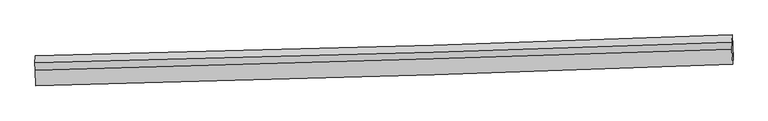
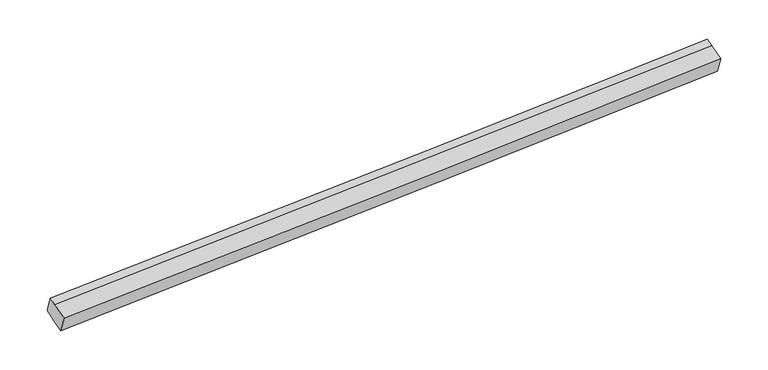
"""IFC4 building model written with IfcOpenShell, lengths in millimetres: proxy geometry."""

from ifc_helpers import new_model, si_unit, frame, origin, place, context, project, spatial, source, transform, mapped, element, save
from ifc_brep_helpers import plane_surface, spline_curve, spline_surface, advanced_brep


def generic_models_98aeb506(model_context):
    return source(origin(), model_context, "Body", "AdvancedBrep", [
        advanced_brep(
        [(-5937.0754325, -1957.2611016, 1501.7070886), (-5945.7101119, -1770.2980258, 1573.9009218), (5394.8673663, -1422.4974947, 2043.4619498), (5403.286828, -1604.8005515, 1973.0675342), (-5945.2437433, -2069.8673166, 1792.3506609), (5395.1185172, -1717.4067665, 2263.7111065), (-5957.0361128, -1814.5321087, 1890.9456767), (5383.7565833, -1471.3915967, 2358.7072872), (-5962.5131021, -1695.941165, 1936.7383273), (5378.6017923, -1359.7770788, 2401.8060641), (-5954.3447914, -1583.33495, 1646.094755), (5386.4479047, -1240.194438, 2113.8563655)],
        [
            (0, 1),
            (1, 2, spline_curve(3, [(-5945.7101119, -1770.2980258, 1573.9009218), (-3783.212343853, -1718.758825699, 1663.07630786), (-1620.983594583, -1658.773663855, 1752.448554672), (2159.090576325, -1539.125403963, 1909.055481293), (3777.054320083, -1483.177055163, 1976.203577584), (5394.8673663, -1422.4974947, 2043.4619498)], [4, 2, 4], [0.0, 21.308140630227836, 37.256175922488225])),
            (2, 3),
            (3, 0, spline_curve(3, [(5403.286828, -1604.8005515, 1973.0675342), (3785.450798006, -1664.982446611, 1906.001329962), (2167.487054248, -1720.930795843, 1838.853234202), (-1612.533424301, -1841.741649607, 1681.79738308), (-3774.690433526, -1903.280151235, 1591.825330762), (-5937.0754325, -1957.2611016, 1501.7070886)], [4, 2, 4], [0.0, 15.94803529226039, 37.256175922488225])),
            (4, 0),
            (3, 5),
            (5, 4, spline_curve(3, [(5395.1185172, -1717.4067665, 2263.7111065), (3777.282487196, -1777.588661636, 2196.644902201), (2159.318743047, -1833.537010533, 2129.496806108), (-1620.701734564, -1954.347865021, 1972.440955906), (-3782.858744649, -2015.886366511, 1882.468903383), (-5945.2437433, -2069.8673166, 1792.3506609)], [4, 2, 4], [0.0, 15.948042765076469, 37.25619337972013])),
            (6, 4),
            (5, 7),
            (7, 6, spline_curve(3, [(5383.7565833, -1471.3915967, 2358.7072872), (3765.715656732, -1527.136954188, 2293.354205415), (2147.608434418, -1579.978623942, 2227.405721276), (-1632.60374521, -1696.638649437, 2071.952669266), (-3794.760754808, -1758.17715064, 1981.980617036), (-5957.0361128, -1814.5321087, 1890.9456767)], [4, 2, 4], [0.0, 15.948013258878273, 37.25612445034477])),
            (8, 6),
            (7, 9),
            (9, 8, spline_curve(3, [(5378.6017923, -1359.7770788, 2401.8060641), (3760.65835707, -1417.63337611, 2335.637865175), (2142.587213857, -1471.25624918, 2269.387727413), (-1637.684146938, -1586.634852793, 2114.4294831), (-3799.984635126, -1645.066674491, 2025.657042379), (-5962.5131021, -1695.941165, 1936.7383273)], [4, 2, 4], [0.0, 15.948012577003379, 37.25612285741809])),
            (10, 8),
            (9, 11),
            (11, 10, spline_curve(3, [(5386.4479047, -1240.194438, 2113.8563655), (3768.657842842, -1301.371663197, 2046.405825335), (2150.694099134, -1357.320011815, 1979.257729157), (-1629.433765609, -1475.805678229, 1823.09972523), (-3791.734253878, -1534.237500209, 1734.327284813), (-5954.3447914, -1583.33495, 1646.094755)], [4, 2, 4], [0.0, 15.948042198719289, 37.25619205665416])),
            (1, 10),
            (11, 2),
        ],
        [
            spline_surface(3, 3, [[(-5937.0754325, -1957.2611016, 1501.7070886), (-3774.690433815, -1903.280151167, 1591.825330809), (-1612.533424079, -1841.741649903, 1681.797383386), (2167.487054083, -1720.930795621, 1838.853233974), (3785.450797817, -1664.982446876, 1906.001329926), (5403.286828, -1604.8005515, 1973.0675342)], [(-5939.953658971, -1894.940076326, 1525.771699659), (-3777.531070456, -1841.773042649, 1615.575656439), (-1615.350147639, -1780.752321281, 1705.347773732), (2164.688228222, -1660.32899833, 1862.253983157), (3782.651971956, -1604.380649585, 1929.402079109), (5400.480340776, -1544.032865918, 1996.532339408)], [(-5942.831885429, -1832.619051074, 1549.836310741), (-3780.371707083, -1780.265934152, 1639.325982093), (-1618.166871224, -1719.762992705, 1728.898164053), (2161.889402335, -1599.727201084, 1885.654732314), (3779.853146069, -1543.778852239, 1952.802828267), (5397.673853524, -1483.265180282, 2019.997144592)], [(-5945.7101119, -1770.2980258, 1573.9009218), (-3783.212343725, -1718.758825633, 1663.076307723), (-1620.983594783, -1658.773664084, 1752.448554399), (2159.090576475, -1539.125403792, 1909.055481497), (3777.054320209, -1483.177054947, 1976.20357745), (5394.8673663, -1422.4974947, 2043.4619498)]], [4, 4], [4, 2, 4], [0.0, 0.6427748600807968], [0.0, 21.308140630227836, 37.256175922488225]),
            spline_surface(3, 3, [[(-5945.2437433, -2069.8673166, 1792.3506609), (-3782.858744615, -2015.886366167, 1882.468903109), (-1620.701734879, -1954.347864903, 1972.440955686), (2159.318743283, -1833.537010621, 2129.496806274), (3777.282487017, -1777.588661876, 2196.644902226), (5395.1185172, -1717.4067665, 2263.7111065)], [(-5942.520973039, -2032.331911591, 1695.46947013), (-3780.135974354, -1978.350961159, 1785.587712339), (-1617.978964618, -1916.812459894, 1875.559764915), (2162.041513544, -1796.001605613, 2032.615615503), (3780.005257278, -1740.053256868, 2099.763711456), (5397.841287461, -1679.871361491, 2166.82991573)], [(-5939.798202761, -1994.796506609, 1598.58827937), (-3777.413204076, -1940.815556176, 1688.70652158), (-1615.256194341, -1879.277054911, 1778.678574156), (2164.764283822, -1758.46620063, 1935.734424744), (3782.728027556, -1702.517851885, 2002.882520696), (5400.564057739, -1642.335956509, 2069.94872497)], [(-5937.0754325, -1957.2611016, 1501.7070886), (-3774.690433815, -1903.280151167, 1591.825330809), (-1612.533424079, -1841.741649903, 1681.797383386), (2167.487054083, -1720.930795621, 1838.853233974), (3785.450797817, -1664.982446876, 1906.001329926), (5403.286828, -1604.8005515, 1973.0675342)]], [4, 4], [4, 2, 4], [0.0, 1.0229728612273505], [0.0, 21.30815061464366, 37.25619337972013]),
            spline_surface(3, 3, [[(-5957.0361128, -1814.5321087, 1890.9456767), (-3794.76075498, -1758.1771508, 1981.980617024), (-1632.603745145, -1696.638649535, 2071.9526695), (2147.608434369, -1579.978623868, 2227.405721101), (3765.715656615, -1527.136954453, 2293.354205454), (5383.7565833, -1471.3915967, 2358.7072872)], [(-5953.105322983, -1899.643844672, 1858.080671452), (-3790.793418209, -1844.080222595, 1948.810045738), (-1628.636408373, -1782.54172133, 2038.782098214), (2151.51187069, -1664.498086125, 2194.769416144), (3769.571266772, -1610.620856915, 2261.117771064), (5387.543894623, -1553.396653287, 2327.041893652)], [(-5949.174533117, -1984.755580628, 1825.215666148), (-3786.826081387, -1929.983294373, 1915.639474396), (-1624.669071651, -1868.444793108, 2005.611526972), (2155.415306962, -1749.017548365, 2162.133111231), (3773.42687686, -1694.104759415, 2228.881336617), (5391.331205877, -1635.401709913, 2295.376500048)], [(-5945.2437433, -2069.8673166, 1792.3506609), (-3782.858744615, -2015.886366167, 1882.468903109), (-1620.701734879, -1954.347864903, 1972.440955686), (2159.318743283, -1833.537010621, 2129.496806274), (3777.282487017, -1777.588661876, 2196.644902226), (5395.1185172, -1717.4067665, 2263.7111065)]], [4, 4], [4, 2, 4], [0.0, 0.9015877269735822], [0.0, 21.308111191466498, 37.25612445034477]),
            spline_surface(3, 3, [[(-5962.5131021, -1695.941165, 1936.7383273), (-3799.984635059, -1645.066674433, 2025.657042574), (-1637.684146812, -1586.634852498, 2114.429483451), (2142.587213763, -1471.2562494, 2269.387727151), (3760.658356978, -1417.633375959, 2335.637865216), (5378.6017923, -1359.7770788, 2401.8060641)], [(-5960.687438974, -1735.471479576, 1921.474110431), (-3798.243341673, -1682.770166565, 2011.098234055), (-1635.99067959, -1623.302784835, 2100.270545498), (2144.260953964, -1507.497040881, 2255.393725165), (3762.344123524, -1454.134568818, 2321.543311966), (5380.320055967, -1396.981918128, 2387.439805137)], [(-5958.861775926, -1775.001794124, 1906.209893569), (-3796.502048366, -1720.473658668, 1996.539425543), (-1634.297212366, -1659.970717198, 2086.111607453), (2145.934694168, -1543.737832388, 2241.399723087), (3764.029890069, -1490.635761594, 2307.448758704), (5382.038319633, -1434.186757372, 2373.073546163)], [(-5957.0361128, -1814.5321087, 1890.9456767), (-3794.76075498, -1758.1771508, 1981.980617024), (-1632.603745145, -1696.638649535, 2071.9526695), (2147.608434369, -1579.978623868, 2227.405721101), (3765.715656615, -1527.136954453, 2293.354205454), (5383.7565833, -1471.3915967, 2358.7072872)]], [4, 4], [4, 2, 4], [0.0, 0.38602550266760616], [0.0, 21.308110280414713, 37.25612285741809]),
            spline_surface(3, 3, [[(-5954.3447914, -1583.33495, 1646.094755), (-3791.734253735, -1534.237500099, 1734.327284637), (-1629.433765387, -1475.805678164, 1823.099725413), (2150.694098967, -1357.320011863, 1979.25772902), (3768.657842702, -1301.371663118, 2046.405825073), (5386.4479047, -1240.194438, 2113.8563655)], [(-5957.067561661, -1620.870355009, 1742.97594577), (-3794.484380871, -1571.180558219, 1831.437203953), (-1632.183892523, -1512.748736284, 1920.209644729), (2147.991803905, -1395.298757718, 2075.967728367), (3765.991347459, -1340.125567389, 2142.816505118), (5383.832533898, -1280.055318257, 2209.839598364)], [(-5959.790331839, -1658.405759991, 1839.85713653), (-3797.234507923, -1608.123616313, 1928.547123258), (-1634.934019676, -1549.691794378, 2017.319564135), (2145.289508825, -1433.277503546, 2172.677727804), (3763.324852221, -1378.879471689, 2239.227185171), (5381.217163102, -1319.916198543, 2305.822831236)], [(-5962.5131021, -1695.941165, 1936.7383273), (-3799.984635059, -1645.066674433, 2025.657042574), (-1637.684146812, -1586.634852498, 2114.429483451), (2142.587213763, -1471.2562494, 2269.387727151), (3760.658356978, -1417.633375959, 2335.637865216), (5378.6017923, -1359.7770788, 2401.8060641)]], [4, 4], [4, 2, 4], [0.0, 1.0229749424492502], [0.0, 21.30814985793487, 37.25619205665416]),
            spline_surface(3, 3, [[(-5945.7101119, -1770.2980258, 1573.9009218), (-3783.212343725, -1718.758825633, 1663.076307723), (-1620.983594783, -1658.773664084, 1752.448554399), (2159.090576475, -1539.125403792, 1909.055481497), (3777.054320209, -1483.177054947, 1976.20357745), (5394.8673663, -1422.4974947, 2043.4619498)], [(-5948.588338371, -1707.977000526, 1597.965532859), (-3786.052980366, -1657.251717115, 1686.826633353), (-1623.800318342, -1597.784335462, 1775.998944746), (2156.291750615, -1478.523606501, 1932.45623068), (3774.255494349, -1422.575257656, 1999.604326633), (5392.060879076, -1361.729809118, 2066.926755008)], [(-5951.466564929, -1645.655975274, 1622.030143941), (-3788.893617093, -1595.744608618, 1710.576959007), (-1626.617041828, -1536.795006786, 1799.549335067), (2153.492924828, -1417.921809155, 1955.856979837), (3771.456668562, -1361.97346041, 2023.00507589), (5389.254391924, -1300.962123582, 2090.391560292)], [(-5954.3447914, -1583.33495, 1646.094755), (-3791.734253735, -1534.237500099, 1734.327284637), (-1629.433765387, -1475.805678164, 1823.099725413), (2150.694098967, -1357.320011863, 1979.25772902), (3768.657842702, -1301.371663118, 2046.405825073), (5386.4479047, -1240.194438, 2113.8563655)]], [4, 4], [4, 2, 4], [0.0, 0.6427748600807986], [0.0, 21.308162727154734, 37.25621455781592]),
            plane_surface(frame((5390.8637605, -1480.5447087, 2188.1102676), z_axis=(0.9987296756570958, 0.03069475602067332, 0.039960817242690724), x_axis=(0.043043548168775154, -0.9320038155252872, -0.35988351005200114))),
            plane_surface(frame((-5949.7942673, -1826.6011333, 1719.2227079), z_axis=(-0.9987296756570957, -0.03069475602067412, -0.03996081724269247), x_axis=(0.04304354816877652, -0.9320038155252872, -0.3598835100520009))),
        ],
        [
            (0, [[1, 2, 3, 4]]),
            (1, [[5, -4, 6, 7]]),
            (2, [[8, -7, 9, 10]]),
            (3, [[11, -10, 12, 13]]),
            (4, [[14, -13, 15, 16]]),
            (5, [[17, -16, 18, -2]]),
            (6, [[-12, -9, -6, -3, -18, -15]]),
            (7, [[-1, -5, -8, -11, -14, -17]]),
        ],
    ),
    ])


if __name__ == "__main__":
    model = new_model("IFC4")
    model_context = context("Model", 3, world=origin())
    ifc_project = project(units=[si_unit("LENGTHUNIT", "METRE", prefix="MILLI")], contexts=[model_context])
    site = spatial("IfcSite", under=ifc_project)
    building = spatial("IfcBuilding", under=site)
    placement = place(None, origin())
    generic_models_shape = generic_models_98aeb506(model_context)
    element("IfcBuildingElementProxy", 1, Name="Generic Models", at=placement, inside=building, context=model_context, shape_type="MappedRepresentation", body=[
        mapped(generic_models_shape, transform((0.0, 0.0, 0.0), x_axis=(1.0, 0.0, 0.0), y_axis=(0.0, 1.0, 0.0), z_axis=(0.0, 0.0, 1.0))),
    ])
    save(model, "model.ifc")
